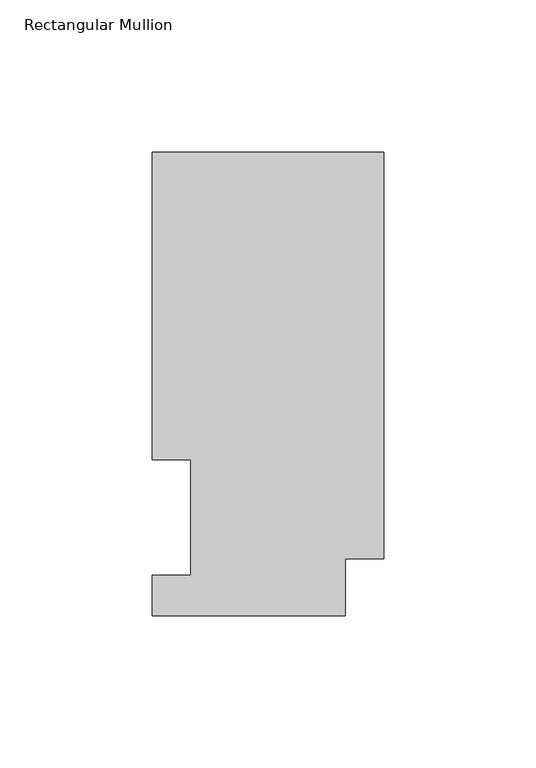
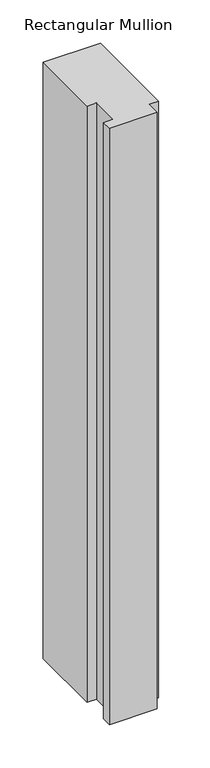
"""IFC4 building model written with IfcOpenShell, lengths in millimetres: member geometry, Rectangular Mullion."""

from ifc_helpers import new_model, si_unit, frame, origin, place, context, project, spatial, polyline, outline, extrude, source, transform, mapped, element, save


def rectangular_mullion_29735155(model_context):
    return source(origin(), model_context, "Body", "SweptSolid", [
        extrude(outline(polyline([(0.0, 18.7332937), (-12.7, 18.7332937), (-12.7, 0.0134938), (-76.2, 0.0134938), (-76.2, 13.1960938), (-63.5, 13.1960938), (-63.5, 51.2960937), (-76.2, 51.2960937), (-76.2, 152.4896938), (0.0, 152.4896938), (0.0, 18.7332937)])), frame((0.0, 0.0, -838.2), z_axis=(0.0, 0.0, 1.0), x_axis=(1.0, 0.0, 0.0)), (0.0, 0.0, 1.0), 838.2),
    ])


if __name__ == "__main__":
    model = new_model("IFC4")
    model_context = context("Model", 3, world=origin())
    ifc_project = project(units=[si_unit("LENGTHUNIT", "METRE", prefix="MILLI")], contexts=[model_context])
    site = spatial("IfcSite", under=ifc_project)
    building = spatial("IfcBuilding", under=site)
    placement = place(None, origin())
    rectangular_mullion_shape = rectangular_mullion_29735155(model_context)
    element("IfcMember", 1, ObjectType="Rectangular Mullion", at=placement, inside=building, context=model_context, shape_type="MappedRepresentation", body=[
        mapped(rectangular_mullion_shape, transform((0.0, 0.0, 0.0), x_axis=(1.0, 0.0, 0.0), y_axis=(0.0, 1.0, 0.0), z_axis=(0.0, 0.0, 1.0))),
    ])
    save(model, "model.ifc")
